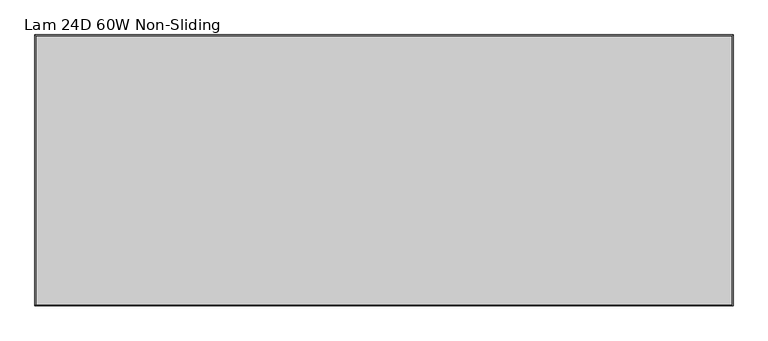
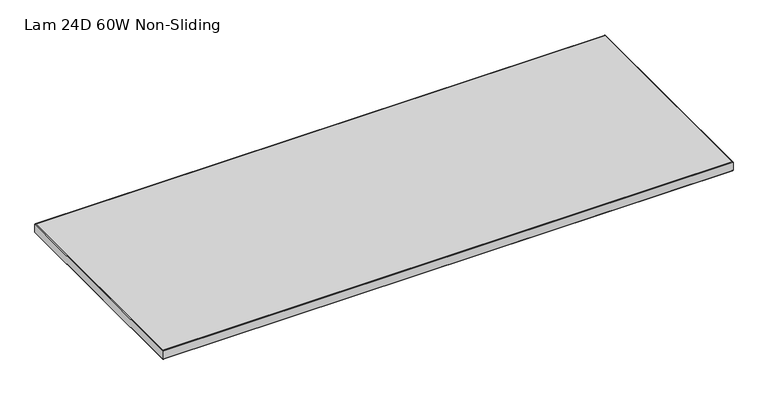
"""IFC4 building model written with IfcOpenShell, lengths in millimetres: furniture geometry, Lam 24D 60W Non-Sliding."""

from ifc_helpers import new_model, si_unit, frame, origin, place, context, project, spatial, polyline, ellipse_curve, outline, extrude, source, transform, mapped, element, save
from ifc_brep_helpers import plane_surface, cylinder_surface, advanced_brep


def lam_24d_60w_non_sliding_e1d0249c(model_context):
    return source(origin(), model_context, "Body", "SolidModel", [
        advanced_brep(
        [(-610.0, 297.0, 723.9), (-610.0, 297.0, 698.5), (907.8758, 297.0, 698.5), (907.8758, 297.0, 723.9), (907.8758, -289.8388, 698.5), (907.8758, -289.8388, 723.9), (-610.0, -289.8388, 698.5), (-610.0, -289.8388, 723.9), (-611.6002, 298.6002, 700.1002), (-611.6002, 298.6002, 722.2998), (909.476, 298.6002, 722.2998), (909.476, 298.6002, 700.1002), (909.476, -291.439, 722.2998), (909.476, -291.439, 700.1002), (-611.6002, -291.439, 722.2998), (-611.6002, -291.439, 700.1002)],
        [
            (0, 1),
            (1, 2),
            (2, 3),
            (3, 0),
            (2, 4),
            (4, 5),
            (5, 3),
            (4, 6),
            (6, 7),
            (7, 5),
            (6, 1),
            (0, 7),
            (8, 9),
            (9, 10),
            (10, 11),
            (11, 8),
            (10, 12),
            (12, 13),
            (13, 11),
            (12, 14),
            (14, 15),
            (15, 13),
            (14, 9),
            (8, 15),
            (9, 0, ellipse_curve(frame((-610.0, 297.0, 722.2998), z_axis=(0.7071067811865475, 0.7071067811865475, 0.0), x_axis=(-0.7071067811865476, 0.7071067811865474, 0.0)), 2.2630245, 1.6002)),
            (3, 10, ellipse_curve(frame((907.8758, 297.0, 722.2998), z_axis=(-0.7071067811865475, 0.7071067811865475, 0.0), x_axis=(-0.7071067811865476, -0.7071067811865474, 0.0)), 2.2630245, 1.6002)),
            (1, 8, ellipse_curve(frame((-610.0, 297.0, 700.1002), z_axis=(0.7071067811865475, 0.7071067811865475, 0.0), x_axis=(-0.7071067811865476, 0.7071067811865474, 0.0)), 2.2630245, 1.6002)),
            (11, 2, ellipse_curve(frame((907.8758, 297.0, 700.1002), z_axis=(-0.7071067811865475, 0.7071067811865475, 0.0), x_axis=(-0.7071067811865476, -0.7071067811865474, 0.0)), 2.2630245, 1.6002)),
            (5, 12, ellipse_curve(frame((907.8758, -289.8388, 722.2998), z_axis=(0.7071067811865475, 0.7071067811865475, 0.0), x_axis=(-0.7071067811865474, 0.7071067811865476, 0.0)), 2.2630245, 1.6002)),
            (13, 4, ellipse_curve(frame((907.8758, -289.8388, 700.1002), z_axis=(0.7071067811865475, 0.7071067811865475, 0.0), x_axis=(-0.7071067811865474, 0.7071067811865476, 0.0)), 2.2630245, 1.6002)),
            (7, 14, ellipse_curve(frame((-610.0, -289.8388, 722.2998), z_axis=(0.7071067811865475, -0.7071067811865475, 0.0), x_axis=(0.7071067811865476, 0.7071067811865474, 0.0)), 2.2630245, 1.6002)),
            (15, 6, ellipse_curve(frame((-610.0, -289.8388, 700.1002), z_axis=(0.7071067811865475, -0.7071067811865475, 0.0), x_axis=(0.7071067811865476, 0.7071067811865474, 0.0)), 2.2630245, 1.6002)),
        ],
        [
            plane_surface(frame((-610.0, 297.0, 698.5), z_axis=(0.0, -1.0, 0.0), x_axis=(1.0, 0.0, 0.0))),
            plane_surface(frame((907.8758, 297.0, 698.5), z_axis=(-1.0, 0.0, 0.0), x_axis=(0.0, -1.0, 0.0))),
            plane_surface(frame((907.8758, -289.8388, 698.5), z_axis=(0.0, 1.0, 0.0), x_axis=(-1.0, 0.0, 0.0))),
            plane_surface(frame((-610.0, -289.8388, 698.5), z_axis=(1.0, 0.0, 0.0), x_axis=(0.0, 1.0, 0.0))),
            plane_surface(frame((-611.6002, 298.6002, 722.2998), z_axis=(0.0, 1.0, 0.0), x_axis=(1.0, 0.0, 0.0))),
            plane_surface(frame((909.476, 298.6002, 722.2998), z_axis=(1.0, 0.0, 0.0), x_axis=(0.0, -1.0, 0.0))),
            plane_surface(frame((909.476, -291.439, 722.2998), z_axis=(0.0, -1.0, 0.0), x_axis=(-1.0, 0.0, 0.0))),
            plane_surface(frame((-611.6002, -291.439, 722.2998), z_axis=(-1.0, 0.0, 0.0), x_axis=(0.0, 1.0, 0.0))),
            cylinder_surface(frame((-610.0, 297.0, 722.2998), z_axis=(-1.0, 0.0, 0.0), x_axis=(0.0, -1.0, 0.0)), 1.6002),
            cylinder_surface(frame((-610.0, 297.0, 700.1002), z_axis=(-1.0, 0.0, 0.0), x_axis=(0.0, -1.0, 0.0)), 1.6002),
            cylinder_surface(frame((907.8758, 297.0, 722.2998), z_axis=(0.0, 1.0, 0.0), x_axis=(-1.0, 0.0, 0.0)), 1.6002),
            cylinder_surface(frame((907.8758, 297.0, 700.1002), z_axis=(0.0, 1.0, 0.0), x_axis=(-1.0, 0.0, 0.0)), 1.6002),
            cylinder_surface(frame((907.8758, -289.8388, 722.2998), z_axis=(1.0, 0.0, 0.0), x_axis=(0.0, 1.0, 0.0)), 1.6002),
            cylinder_surface(frame((907.8758, -289.8388, 700.1002), z_axis=(1.0, 0.0, 0.0), x_axis=(0.0, 1.0, 0.0)), 1.6002),
            cylinder_surface(frame((-610.0, -289.8388, 722.2998), z_axis=(0.0, -1.0, 0.0), x_axis=(1.0, 0.0, 0.0)), 1.6002),
            cylinder_surface(frame((-610.0, -289.8388, 700.1002), z_axis=(0.0, -1.0, 0.0), x_axis=(1.0, 0.0, 0.0)), 1.6002),
        ],
        [
            (0, [[1, 2, 3, 4]]),
            (1, [[-3, 5, 6, 7]]),
            (2, [[-6, 8, 9, 10]]),
            (3, [[-9, 11, -1, 12]]),
            (4, [[13, 14, 15, 16]]),
            (5, [[-15, 17, 18, 19]]),
            (6, [[-18, 20, 21, 22]]),
            (7, [[-21, 23, -13, 24]]),
            (8, [[25, -4, 26, -14]]),
            (9, [[27, -16, 28, -2]]),
            (10, [[-26, -7, 29, -17]]),
            (11, [[-28, -19, 30, -5]]),
            (12, [[-29, -10, 31, -20]]),
            (13, [[-30, -22, 32, -8]]),
            (14, [[-31, -12, -25, -23]]),
            (15, [[-32, -24, -27, -11]]),
        ],
    ),
        extrude(outline(polyline([(907.8758, 297.0), (907.8758, -289.8388), (-610.0, -289.8388), (-610.0, 297.0), (907.8758, 297.0)])), frame((0.0, 0.0, 698.5), z_axis=(0.0, 0.0, 1.0), x_axis=(1.0, 0.0, 0.0)), (0.0, 0.0, 1.0), 25.4),
    ])


if __name__ == "__main__":
    model = new_model("IFC4")
    model_context = context("Model", 3, world=origin())
    ifc_project = project(units=[si_unit("LENGTHUNIT", "METRE", prefix="MILLI")], contexts=[model_context])
    site = spatial("IfcSite", under=ifc_project)
    building = spatial("IfcBuilding", under=site)
    placement = place(None, origin())
    lam_24d_60w_non_sliding_shape = lam_24d_60w_non_sliding_e1d0249c(model_context)
    element("IfcFurniture", 1, ObjectType="Lam 24D 60W Non-Sliding", at=placement, inside=building, context=model_context, shape_type="MappedRepresentation", body=[
        mapped(lam_24d_60w_non_sliding_shape, transform((0.0, 0.0, 0.0), x_axis=(1.0, 0.0, 0.0), y_axis=(0.0, 1.0, 0.0), z_axis=(0.0, 0.0, 1.0))),
    ])
    save(model, "model.ifc")
